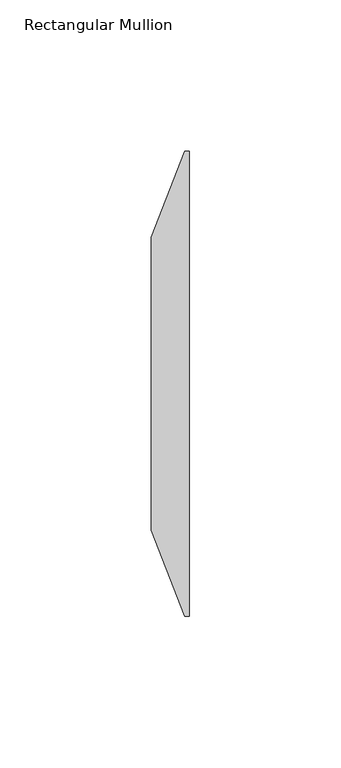
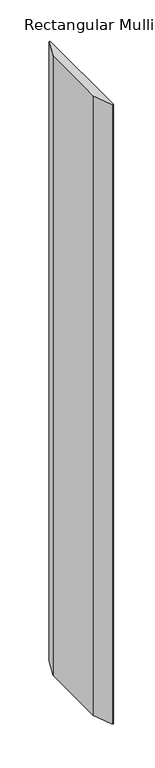
"""IFC4 building model written with IfcOpenShell, lengths in millimetres: member geometry, Rectangular Mullion."""

from ifc_helpers import new_model, si_unit, frame, origin, place, context, project, spatial, polyline, outline, extrude, source, transform, mapped, element, save


def rectangular_mullion_67e6c3f0(model_context):
    return source(origin(), model_context, "Body", "SweptSolid", [
        extrude(outline(polyline([(0.0, -66.675), (-1.5875, -66.675), (-12.7, -38.1), (-12.7, 58.7375), (-1.5875, 87.3125), (0.0, 87.3125), (0.0, -66.675)])), frame((0.0, 0.0, -915.9875), z_axis=(0.0, 0.0, 1.0), x_axis=(1.0, 0.0, 0.0)), (0.0, 0.0, 1.0), 915.9875),
    ])


if __name__ == "__main__":
    model = new_model("IFC4")
    model_context = context("Model", 3, world=origin())
    ifc_project = project(units=[si_unit("LENGTHUNIT", "METRE", prefix="MILLI")], contexts=[model_context])
    site = spatial("IfcSite", under=ifc_project)
    building = spatial("IfcBuilding", under=site)
    placement = place(None, origin())
    rectangular_mullion_shape = rectangular_mullion_67e6c3f0(model_context)
    element("IfcMember", 1, ObjectType="Rectangular Mullion", at=placement, inside=building, context=model_context, shape_type="MappedRepresentation", body=[
        mapped(rectangular_mullion_shape, transform((0.0, 0.0, 0.0), x_axis=(1.0, 0.0, 0.0), y_axis=(0.0, 1.0, 0.0), z_axis=(0.0, 0.0, 1.0))),
    ])
    save(model, "model.ifc")
